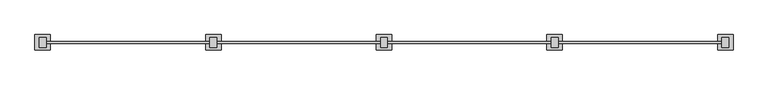
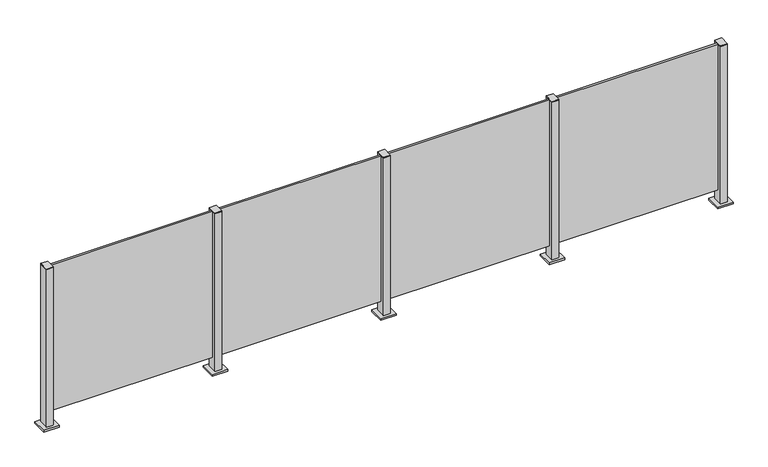
"""IFC4 building model written with IfcOpenShell, lengths in millimetres: railing geometry."""

from ifc_helpers import new_model, si_unit, frame, origin, origin_with_axes, place, context, project, spatial, polyline, outline, extrude, source, transform, mapped, element, save


def railing_af339c5a(model_context):
    return source(origin(), model_context, "Body", "SweptSolid", [
        extrude(outline(polyline([(33310.0, 197.5598727), (34390.0, 197.5598727), (34390.0, 184.3598727), (33310.0, 184.3598727), (33310.0, 197.5598727)])), frame((0.0, 0.0, 95.0), z_axis=(0.0, 0.0, 1.0), x_axis=(1.0, 0.0, 0.0)), (0.0, 0.0, 1.0), 1005.0),
        extrude(outline(polyline([(33322.5, 157.6846828), (33277.5, 157.6846828), (33277.5, 222.6846828), (33322.5, 222.6846828), (33322.5, 157.6846828)])), frame((0.0, 0.0, 1100.0), z_axis=(0.0, 0.0, 1.0), x_axis=(1.0, 0.0, 0.0)), (0.0, 0.0, 1.0), 5.0),
        extrude(outline(polyline([(33350.0, 140.1846828), (33250.0, 140.1846828), (33250.0, 240.1846828), (33350.0, 240.1846828), (33350.0, 140.1846828)])), origin_with_axes(), (0.0, 0.0, 1.0), 12.0),
        extrude(outline(polyline([(33322.5, 157.6846828), (33277.5, 157.6846828), (33277.5, 222.6846828), (33322.5, 222.6846828), (33322.5, 157.6846828)])), frame((0.0, 0.0, 12.0), z_axis=(0.0, 0.0, 1.0), x_axis=(1.0, 0.0, 0.0)), (0.0, 0.0, 1.0), 1088.0),
        extrude(outline(polyline([(32210.0, 197.5598727), (33290.0, 197.5598727), (33290.0, 184.3598727), (32210.0, 184.3598727), (32210.0, 197.5598727)])), frame((0.0, 0.0, 95.0), z_axis=(0.0, 0.0, 1.0), x_axis=(1.0, 0.0, 0.0)), (0.0, 0.0, 1.0), 1005.0),
        extrude(outline(polyline([(32222.5, 157.6846828), (32177.5, 157.6846828), (32177.5, 222.6846828), (32222.5, 222.6846828), (32222.5, 157.6846828)])), frame((0.0, 0.0, 1100.0), z_axis=(0.0, 0.0, 1.0), x_axis=(1.0, 0.0, 0.0)), (0.0, 0.0, 1.0), 5.0),
        extrude(outline(polyline([(32250.0, 140.1846828), (32150.0, 140.1846828), (32150.0, 240.1846828), (32250.0, 240.1846828), (32250.0, 140.1846828)])), origin_with_axes(), (0.0, 0.0, 1.0), 12.0),
        extrude(outline(polyline([(32222.5, 157.6846828), (32177.5, 157.6846828), (32177.5, 222.6846828), (32222.5, 222.6846828), (32222.5, 157.6846828)])), frame((0.0, 0.0, 12.0), z_axis=(0.0, 0.0, 1.0), x_axis=(1.0, 0.0, 0.0)), (0.0, 0.0, 1.0), 1088.0),
        extrude(outline(polyline([(31110.0, 197.5598727), (32190.0, 197.5598727), (32190.0, 184.3598727), (31110.0, 184.3598727), (31110.0, 197.5598727)])), frame((0.0, 0.0, 95.0), z_axis=(0.0, 0.0, 1.0), x_axis=(1.0, 0.0, 0.0)), (0.0, 0.0, 1.0), 1005.0),
        extrude(outline(polyline([(31122.5, 157.6846828), (31077.5, 157.6846828), (31077.5, 222.6846828), (31122.5, 222.6846828), (31122.5, 157.6846828)])), frame((0.0, 0.0, 1100.0), z_axis=(0.0, 0.0, 1.0), x_axis=(1.0, 0.0, 0.0)), (0.0, 0.0, 1.0), 5.0),
        extrude(outline(polyline([(31150.0, 140.1846828), (31050.0, 140.1846828), (31050.0, 240.1846828), (31150.0, 240.1846828), (31150.0, 140.1846828)])), origin_with_axes(), (0.0, 0.0, 1.0), 12.0),
        extrude(outline(polyline([(31122.5, 157.6846828), (31077.5, 157.6846828), (31077.5, 222.6846828), (31122.5, 222.6846828), (31122.5, 157.6846828)])), frame((0.0, 0.0, 12.0), z_axis=(0.0, 0.0, 1.0), x_axis=(1.0, 0.0, 0.0)), (0.0, 0.0, 1.0), 1088.0),
        extrude(outline(polyline([(30010.0, 197.5598727), (31090.0, 197.5598727), (31090.0, 184.3598727), (30010.0, 184.3598727), (30010.0, 197.5598727)])), frame((0.0, 0.0, 95.0), z_axis=(0.0, 0.0, 1.0), x_axis=(1.0, 0.0, 0.0)), (0.0, 0.0, 1.0), 1005.0),
        extrude(outline(polyline([(34422.5, 157.6846828), (34377.5, 157.6846828), (34377.5, 222.6846828), (34422.5, 222.6846828), (34422.5, 157.6846828)])), frame((0.0, 0.0, 1100.0), z_axis=(0.0, 0.0, 1.0), x_axis=(1.0, 0.0, 0.0)), (0.0, 0.0, 1.0), 5.0),
        extrude(outline(polyline([(34450.0, 140.1846828), (34350.0, 140.1846828), (34350.0, 240.1846828), (34450.0, 240.1846828), (34450.0, 140.1846828)])), origin_with_axes(), (0.0, 0.0, 1.0), 12.0),
        extrude(outline(polyline([(34422.5, 157.6846828), (34377.5, 157.6846828), (34377.5, 222.6846828), (34422.5, 222.6846828), (34422.5, 157.6846828)])), frame((0.0, 0.0, 12.0), z_axis=(0.0, 0.0, 1.0), x_axis=(1.0, 0.0, 0.0)), (0.0, 0.0, 1.0), 1088.0),
        extrude(outline(polyline([(30022.5, 157.6846828), (29977.5, 157.6846828), (29977.5, 222.6846828), (30022.5, 222.6846828), (30022.5, 157.6846828)])), frame((0.0, 0.0, 1100.0), z_axis=(0.0, 0.0, 1.0), x_axis=(1.0, 0.0, 0.0)), (0.0, 0.0, 1.0), 5.0),
        extrude(outline(polyline([(30050.0, 140.1846828), (29950.0, 140.1846828), (29950.0, 240.1846828), (30050.0, 240.1846828), (30050.0, 140.1846828)])), origin_with_axes(), (0.0, 0.0, 1.0), 12.0),
        extrude(outline(polyline([(30022.5, 157.6846828), (29977.5, 157.6846828), (29977.5, 222.6846828), (30022.5, 222.6846828), (30022.5, 157.6846828)])), frame((0.0, 0.0, 12.0), z_axis=(0.0, 0.0, 1.0), x_axis=(1.0, 0.0, 0.0)), (0.0, 0.0, 1.0), 1088.0),
    ])


if __name__ == "__main__":
    model = new_model("IFC4")
    model_context = context("Model", 3, world=origin())
    ifc_project = project(units=[si_unit("LENGTHUNIT", "METRE", prefix="MILLI")], contexts=[model_context])
    site = spatial("IfcSite", under=ifc_project)
    building = spatial("IfcBuilding", under=site)
    placement = place(None, origin())
    railing_shape = railing_af339c5a(model_context)
    element("IfcRailing", 1, at=placement, inside=building, context=model_context, shape_type="MappedRepresentation", body=[
        mapped(railing_shape, transform((0.0, 0.0, 0.0), x_axis=(1.0, 0.0, 0.0), y_axis=(0.0, 1.0, 0.0), z_axis=(0.0, 0.0, 1.0))),
    ])
    save(model, "model.ifc")
